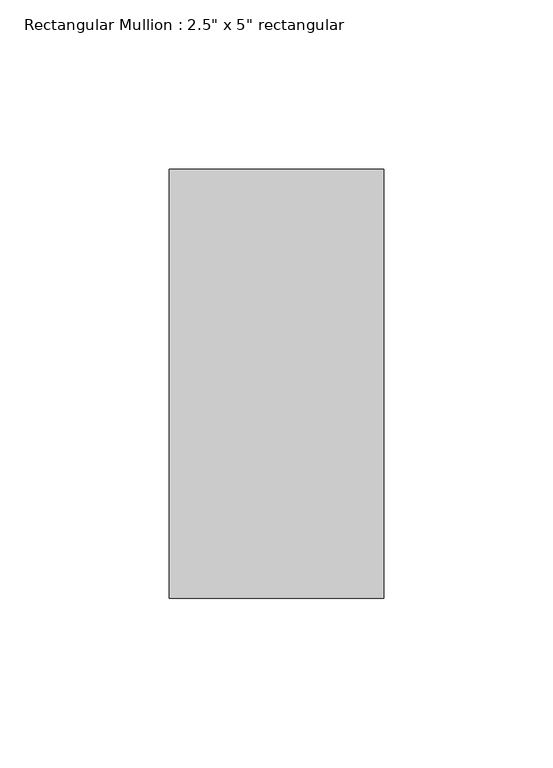
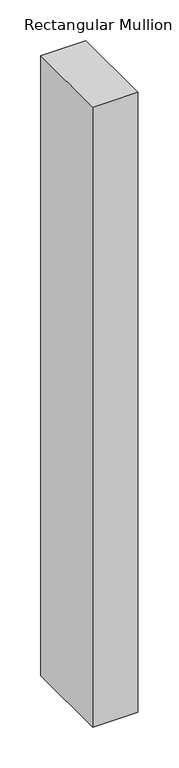
"""IFC4 building model written with IfcOpenShell, lengths in millimetres: member geometry."""

from ifc_helpers import new_model, si_unit, frame, origin, place, context, project, spatial, polyline, outline, extrude, source, transform, mapped, element, save


def member_eda080a2(model_context):
    return source(origin(), model_context, "Body", "SweptSolid", [
        extrude(outline(polyline([(31.75, 63.5), (31.75, -63.5), (-31.75, -63.5), (-31.75, 63.5), (31.75, 63.5)])), frame((0.0, 0.0, -925.2857143), z_axis=(0.0, 0.0, 1.0), x_axis=(1.0, 0.0, 0.0)), (0.0, 0.0, 1.0), 925.2857143),
    ])


if __name__ == "__main__":
    model = new_model("IFC4")
    model_context = context("Model", 3, world=origin())
    ifc_project = project(units=[si_unit("LENGTHUNIT", "METRE", prefix="MILLI")], contexts=[model_context])
    site = spatial("IfcSite", under=ifc_project)
    building = spatial("IfcBuilding", under=site)
    placement = place(None, origin())
    member_shape = member_eda080a2(model_context)
    element("IfcMember", 1, ObjectType="Rectangular Mullion : 2.5\" x 5\" rectangular", at=placement, inside=building, context=model_context, shape_type="MappedRepresentation", body=[
        mapped(member_shape, transform((0.0, 0.0, 0.0), x_axis=(1.0, 0.0, 0.0), y_axis=(0.0, 1.0, 0.0), z_axis=(0.0, 0.0, 1.0))),
    ])
    save(model, "model.ifc")
